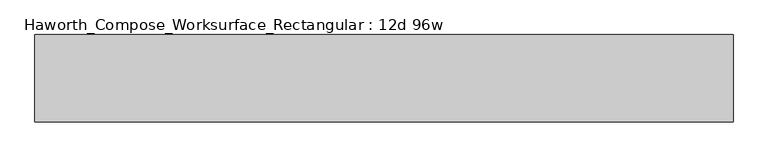
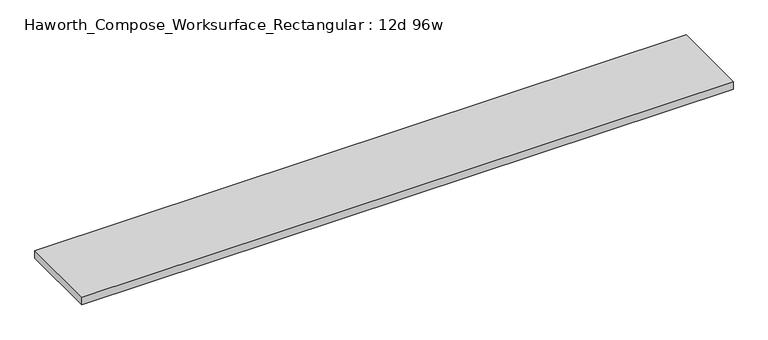
"""IFC4 building model written with IfcOpenShell, lengths in millimetres: furniture geometry, Haworth_Compose_Worksurface_Rectangular : 12d 96w."""

from ifc_helpers import new_model, si_unit, frame, origin, place, context, project, spatial, polyline, outline, extrude, source, transform, mapped, element, save


def haworth_compose_worksurface_rectangular_12d_96w_8f688f2b(model_context):
    return source(origin(), model_context, "Body", "SweptSolid", [
        extrude(outline(polyline([(1219.2, 152.4), (1219.2, -152.4), (-1219.2, -152.4), (-1219.2, 152.4), (1219.2, 152.4)])), frame((0.0, 0.0, 706.4375), z_axis=(0.0, 0.0, 1.0), x_axis=(1.0, 0.0, 0.0)), (0.0, 0.0, 1.0), 30.1625),
    ])


if __name__ == "__main__":
    model = new_model("IFC4")
    model_context = context("Model", 3, world=origin())
    ifc_project = project(units=[si_unit("LENGTHUNIT", "METRE", prefix="MILLI")], contexts=[model_context])
    site = spatial("IfcSite", under=ifc_project)
    building = spatial("IfcBuilding", under=site)
    placement = place(None, origin())
    haworth_compose_worksurface_rectangular_12d_96w_shape = haworth_compose_worksurface_rectangular_12d_96w_8f688f2b(model_context)
    element("IfcFurniture", 1, ObjectType="Haworth_Compose_Worksurface_Rectangular : 12d 96w", at=placement, inside=building, context=model_context, shape_type="MappedRepresentation", body=[
        mapped(haworth_compose_worksurface_rectangular_12d_96w_shape, transform((0.0, 0.0, 0.0), x_axis=(1.0, 0.0, 0.0), y_axis=(0.0, 1.0, 0.0), z_axis=(0.0, 0.0, 1.0))),
    ])
    save(model, "model.ifc")
